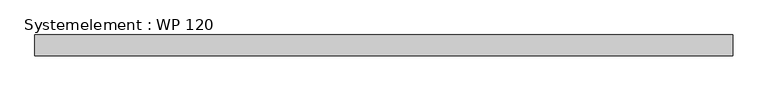
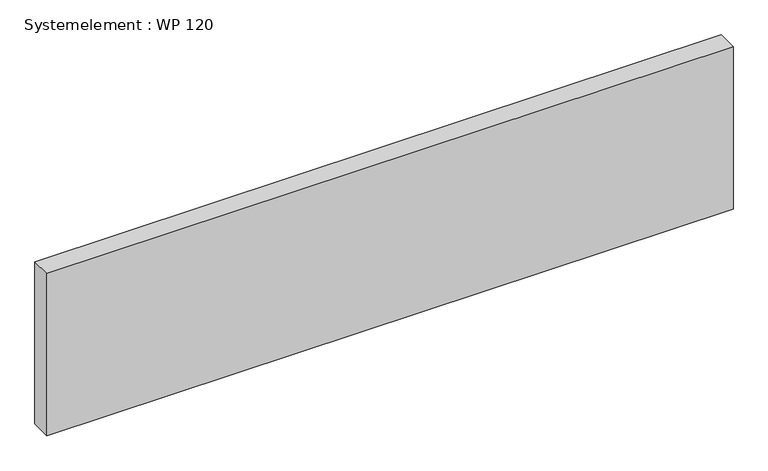
"""IFC4 building model written with IfcOpenShell, lengths in millimetres: plate geometry, Systemelement : WP 120."""

import ifcopenshell
import ifcopenshell.guid

model = None  # the IFC model being written
_history = None  # IfcOwnerHistory: only IFC2X3 demands one
_inside = {}  # id of a spatial element -> (the spatial element, [elements in it])
_under = {}  # id of a project, library or spatial element -> (it, [spatial elements below it])
_declared = {}  # id of a project -> (the project, [libraries it declares])
_typed = {}  # id of a type object -> (the type object, [elements of that type])
_made_of = {}  # id of a material, layer set ... -> (it, [elements and type objects made of it])


def new_model(schema):
    """Start an empty IFC model of exactly this schema.

    Asked for "IFC4X3", IfcOpenShell would pick the latest addendum, in which some entities
    have other attributes; the version numbers below select the first issue.
    IFC2X3 requires an IfcOwnerHistory on every rooted entity: one is made here for all.
    """
    global model, _history
    if schema == "IFC4X3":
        model = ifcopenshell.file(schema_version=(4, 3, 0, 0))
    else:
        model = ifcopenshell.file(schema=schema)
    _inside.clear()
    _under.clear()
    _declared.clear()
    _typed.clear()
    _made_of.clear()
    _history = None
    if model.schema == "IFC2X3":
        org = make("IfcOrganization", Name="unknown")
        user = make(
            "IfcPersonAndOrganization",
            ThePerson=make("IfcPerson", FamilyName="unknown"),
            TheOrganization=org,
        )
        app = make(
            "IfcApplication",
            ApplicationDeveloper=org,
            Version="unknown",
            ApplicationFullName="unknown",
            ApplicationIdentifier="unknown",
        )
        _history = make(
            "IfcOwnerHistory",
            OwningUser=user,
            OwningApplication=app,
            ChangeAction="ADDED",
            CreationDate=0,
        )
    return model


def make(cls, **values):
    """One entity of the class cls with the attributes given. An attribute that is None is left unset."""
    return model.create_entity(
        cls, **{name: value for name, value in values.items() if value is not None}
    )


def rooted(cls, **values):
    """An entity with a GlobalId (a new one), such as an element, a storey or a relation."""
    return make(cls, GlobalId=ifcopenshell.guid.new(), OwnerHistory=_history, **values)


def si_unit(unit_type, name, prefix=None):
    """IfcSIUnit, for example si_unit("LENGTHUNIT", "METRE", prefix="MILLI")."""
    return make("IfcSIUnit", UnitType=unit_type, Prefix=prefix, Name=name)


def assignment(units):
    """IfcUnitAssignment: the units of a project."""
    return None if units is None else make("IfcUnitAssignment", Units=units)


def point(xyz):
    """IfcCartesianPoint."""
    return None if xyz is None else make("IfcCartesianPoint", Coordinates=xyz)


def direction(xyz):
    """IfcDirection."""
    return None if xyz is None else make("IfcDirection", DirectionRatios=xyz)


def frame(location, z_axis=None, x_axis=None):
    """IfcAxis2Placement3D, a coordinate frame: its origin and axes. An axis left out is left unset."""
    return make(
        "IfcAxis2Placement3D",
        Location=point(location),
        Axis=direction(z_axis),
        RefDirection=direction(x_axis),
    )


def origin():
    """The frame at (0, 0, 0) with its axes left unset."""
    return frame((0.0, 0.0, 0.0))


def origin_with_axes():
    """The frame at (0, 0, 0) with the z axis (0, 0, 1) and the x axis (1, 0, 0) written out."""
    return frame((0.0, 0.0, 0.0), z_axis=(0.0, 0.0, 1.0), x_axis=(1.0, 0.0, 0.0))


def place(relative_to, where):
    """IfcLocalPlacement: puts the frame where relative to a parent placement (None: the world)."""
    return make(
        "IfcLocalPlacement", PlacementRelTo=relative_to, RelativePlacement=where
    )


def context(
    kind, dimensions, precision=None, world=None, true_north=None, identifier=None
):
    """IfcGeometricRepresentationContext, for example the 3D "Model" context."""
    return make(
        "IfcGeometricRepresentationContext",
        ContextIdentifier=identifier,
        ContextType=kind,
        CoordinateSpaceDimension=dimensions,
        Precision=precision,
        WorldCoordinateSystem=world,
        TrueNorth=true_north,
    )


def project(units=None, contexts=None):
    """IfcProject with its units and contexts."""
    return rooted(
        "IfcProject",
        Name="project",
        RepresentationContexts=contexts,
        UnitsInContext=assignment(units),
    )


def spatial(cls, under=None, at=None, **own):
    """A site, building, storey or space (cls), placed at a placement, below another one or the project."""
    s = rooted(cls, ObjectPlacement=at, **own)
    if under is not None:
        _under.setdefault(under.id(), (under, []))[1].append(s)
    return s


def polyline(points):
    """IfcPolyline through the points."""
    return make("IfcPolyline", Points=[point(p) for p in points])


def outline(outer, holes=None, kind="AREA"):
    """IfcArbitraryClosedProfileDef: a profile drawn as a closed curve; with holes, ...WithVoids."""
    if holes is None:
        return make("IfcArbitraryClosedProfileDef", ProfileType=kind, OuterCurve=outer)
    return make(
        "IfcArbitraryProfileDefWithVoids",
        ProfileType=kind,
        OuterCurve=outer,
        InnerCurves=holes,
    )


def extrude(swept, where, along, depth):
    """IfcExtrudedAreaSolid: the profile swept, set in the frame where, extruded along a direction by depth."""
    return make(
        "IfcExtrudedAreaSolid",
        SweptArea=swept,
        Position=where,
        ExtrudedDirection=direction(along),
        Depth=depth,
    )


def shape(context_of_items, identifier, shape_type, items):
    """IfcShapeRepresentation: the items that make up one representation, for example the "Body"."""
    return make(
        "IfcShapeRepresentation",
        ContextOfItems=context_of_items,
        RepresentationIdentifier=identifier,
        RepresentationType=shape_type,
        Items=items,
    )


def source(mapping_origin, context_of_items, identifier, shape_type, items):
    """IfcRepresentationMap: a shape defined once, which mapped items show again and again."""
    return make(
        "IfcRepresentationMap",
        MappingOrigin=mapping_origin,
        MappedRepresentation=shape(context_of_items, identifier, shape_type, items),
    )


def transform(
    local_origin,
    x_axis=None,
    y_axis=None,
    z_axis=None,
    scale=None,
    scale2=None,
    scale3=None,
    uniform=True,
):
    """IfcCartesianTransformationOperator3D, or its non-uniform kind. x_axis, y_axis, z_axis: its Axis1, 2, 3."""
    if uniform:
        return make(
            "IfcCartesianTransformationOperator3D",
            Axis1=direction(x_axis),
            Axis2=direction(y_axis),
            LocalOrigin=point(local_origin),
            Scale=scale,
            Axis3=direction(z_axis),
        )
    return make(
        "IfcCartesianTransformationOperator3DnonUniform",
        Axis1=direction(x_axis),
        Axis2=direction(y_axis),
        LocalOrigin=point(local_origin),
        Scale=scale,
        Axis3=direction(z_axis),
        Scale2=scale2,
        Scale3=scale3,
    )


def mapped(mapping_source, mapping_target):
    """IfcMappedItem: shows the shape of a source again, moved by a transform."""
    return make(
        "IfcMappedItem", MappingSource=mapping_source, MappingTarget=mapping_target
    )


def made_of(thing, what):
    """Note that an element or type object is made of a material, layer set ...; save() writes the relation."""
    if what is not None:
        _made_of.setdefault(what.id(), (what, []))[1].append(thing)
    return thing


def element(
    cls,
    number,
    at=None,
    inside=None,
    cuts=None,
    type_object=None,
    material=None,
    context=None,
    identifier="Body",
    shape_type=None,
    held_by="IfcProductDefinitionShape",
    body=None,
    shapes=None,
    **own,
):
    """One element of the class cls, such as IfcWall. Its Tag is "e" and its number.

    at: its placement. inside: the storey or other place that contains it. cuts: it is an
    opening in that element (IfcRelVoidsElement). A single representation is given by context,
    identifier, shape_type and body (its items); several are given by shapes. held_by: the class
    of the entity that holds the representations. save() writes the other relations.
    """
    e = rooted(cls, Tag="e%d" % number, ObjectPlacement=at, **own)
    if body is not None:
        shapes = [shape(context, identifier, shape_type, body)]
    if shapes is not None:
        e.Representation = make(held_by, Representations=shapes)
    if inside is not None:
        _inside.setdefault(inside.id(), (inside, []))[1].append(e)
    if cuts is not None:
        rooted(
            "IfcRelVoidsElement", RelatingBuildingElement=cuts, RelatedOpeningElement=e
        )
    if type_object is not None:
        _typed.setdefault(type_object.id(), (type_object, []))[1].append(e)
    return made_of(e, material)


def aggregate(whole, parts):
    """IfcRelAggregates: a whole, such as a stair, and the parts it consists of."""
    return rooted("IfcRelAggregates", RelatingObject=whole, RelatedObjects=parts)


def save(model, path):
    """Write the relations noted so far, then the file.

    IfcRelAggregates (storeys below a building ...), IfcRelContainedInSpatialStructure (elements
    in a storey), IfcRelDefinesByType, IfcRelAssociatesMaterial and IfcRelDeclares: one each for
    every whole, place, type object, material and project.
    """
    for whole, parts in _under.values():
        aggregate(whole, parts)
    for where, things in _inside.values():
        rooted(
            "IfcRelContainedInSpatialStructure",
            RelatedElements=things,
            RelatingStructure=where,
        )
    for kind, things in _typed.values():
        rooted("IfcRelDefinesByType", RelatedObjects=things, RelatingType=kind)
    for what, things in _made_of.values():
        rooted("IfcRelAssociatesMaterial", RelatedObjects=things, RelatingMaterial=what)
    for by, libraries in _declared.values():
        rooted("IfcRelDeclares", RelatingContext=by, RelatedDefinitions=libraries)
    model.write(path)


def systemelement_wp_120_b45b511d(model_context):
    return source(origin(), model_context, "Body", "SweptSolid", [
        extrude(outline(polyline([(2000.0, -120.0), (-2000.0, -120.0), (-2000.0, 0.0), (2000.0, 0.0), (2000.0, -120.0)])), origin_with_axes(), (0.0, 0.0, 1.0), 1000.0),
    ])


if __name__ == "__main__":
    model = new_model("IFC4")
    model_context = context("Model", 3, world=origin())
    ifc_project = project(units=[si_unit("LENGTHUNIT", "METRE", prefix="MILLI")], contexts=[model_context])
    site = spatial("IfcSite", under=ifc_project)
    building = spatial("IfcBuilding", under=site)
    placement = place(None, origin())
    systemelement_wp_120_shape = systemelement_wp_120_b45b511d(model_context)
    element("IfcPlate", 1, ObjectType="Systemelement : WP 120", at=placement, inside=building, context=model_context, shape_type="MappedRepresentation", body=[
        mapped(systemelement_wp_120_shape, transform((0.0, 0.0, 0.0), x_axis=(1.0, 0.0, 0.0), y_axis=(0.0, 1.0, 0.0), z_axis=(0.0, 0.0, 1.0))),
    ])
    save(model, "model.ifc")
